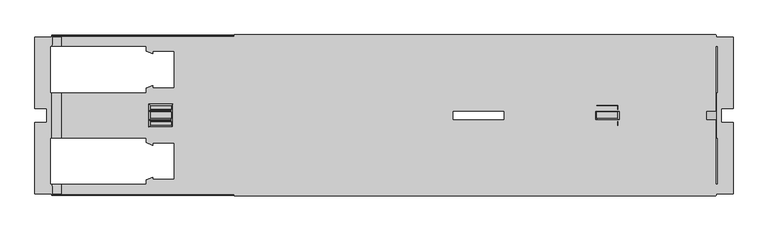
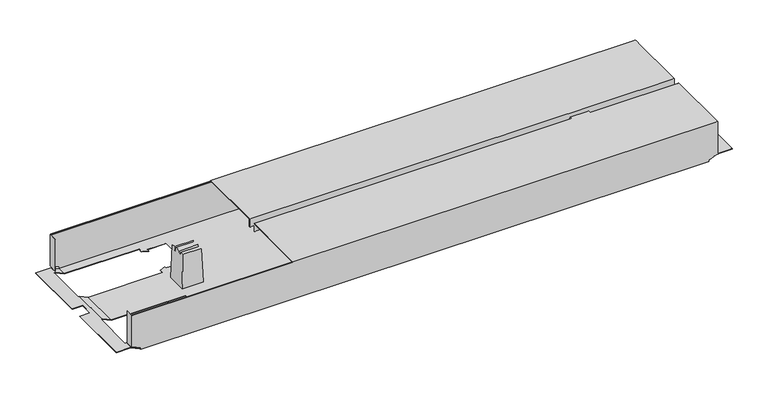
"""IFC4 building model written with IfcOpenShell, lengths in millimetres: furniture geometry."""

from ifc_helpers import new_model, si_unit, origin, place, context, project, spatial, triangles, source, transform, mapped, element, save


def furniture_05404db4(model_context):
    return source(origin(), model_context, "Body", "Tessellation", [
        triangles([(402.0151199, 8921.9879526, 526.9999909), (402.0151199, 8921.9879526, 507.9999879), (1430.0150899, 8921.9879526, 526.9999909), (1430.0150899, 8921.9879526, 507.9999879), (402.0151199, 8760.8879022, 526.9999909), (1430.0150899, 8760.8879022, 526.9999909), (402.0151199, 8760.8879022, 507.9999879), (1430.0150899, 8760.8879022, 507.9999879), (402.0151199, 8759.8879632, 507.9999879), (1430.0150899, 8759.8879632, 507.9999879), (402.0151199, 8759.8879632, 528.0000026), (1430.0150899, 8759.8879632, 528.0000026), (402.0151199, 8922.9878915, 528.0000026), (1430.0150899, 8922.9878915, 528.0000026), (402.0151199, 8922.9878915, 507.9999879), (1430.0150899, 8922.9878915, 507.9999879), (402.0151199, 8740.088009, 526.9999909), (402.0151199, 8740.088009, 507.9999879), (1430.0150899, 8740.088009, 526.9999909), (1430.0150899, 8740.088009, 507.9999879), (402.0151199, 8578.9879587, 526.9999909), (1430.0150899, 8578.9879587, 526.9999909), (402.0151199, 8578.9879587, 507.9999879), (1430.0150899, 8578.9879587, 507.9999879), (402.0151199, 8577.9880197, 507.9999879), (1430.0150899, 8577.9880197, 507.9999879), (402.0151199, 8577.9880197, 528.0000026), (1430.0150899, 8577.9880197, 528.0000026), (402.0151199, 8741.087948, 528.0000026), (1430.0150899, 8741.087948, 528.0000026), (402.0151199, 8741.087948, 507.9999879), (1430.0150899, 8741.087948, 507.9999879), (34.5151316, 8578.9879587, 432.000012), (1409.5151785, 8578.9879587, 432.000012), (34.5151316, 8578.9879587, 435.9999859), (1409.5151785, 8578.9879587, 435.9999859), (14.5151351, 8578.9879587, 445.3260155), (1429.5151205, 8578.9879587, 445.3260155), (14.5151351, 8578.9879587, 526.0000156), (1429.5151205, 8578.9879587, 526.0000156), (1431.5151437, 8578.9879587, 445.3260155), (1431.5151437, 8578.9879587, 526.0000156), (12.51513, 8578.9879587, 526.0000156), (12.51513, 8578.9879587, 445.3260155), (979.1151414, 8789.6878885, 432.000012), (1169.4151537, 8691.6880563, 432.000012), (979.1151414, 8711.2880227, 432.000012), (1169.4151537, 8613.2881906, 432.000012), (918.9151096, 8700.4881006, 432.000012), (274.6151201, 8613.2881906, 432.000012), (868.9151092, 8700.4881006, 432.000012), (274.6151201, 8691.6880563, 432.000012), (274.6151201, 8809.2884363, 432.000012), (214.4151427, 8798.4879327, 432.000012), (228.215118, 8809.2884363, 432.000012), (214.4151427, 8808.7721887, 432.000012), (228.215118, 8814.4881189, 432.000012), (932.7151393, 8789.6878885, 432.000012), (918.9151096, 8800.488392, 432.000012), (1169.4151537, 8887.688302, 432.000012), (1169.4151537, 8809.2884363, 432.000012), (932.7151393, 8784.4882059, 432.000012), (918.9151096, 8790.1058862, 432.000012), (274.6151201, 8887.688302, 432.000012), (868.9151092, 8800.488392, 432.000012), (932.7151393, 8711.2880227, 432.000012), (918.9151096, 8710.870025, 432.000012), (932.7151393, 8716.4882867, 432.000012), (214.4151427, 8602.4882684, 432.000012), (1229.6151128, 8602.4882684, 432.000012), (1409.5151785, 8582.4883264, 432.000012), (1410.5151174, 8602.4882684, 432.000012), (1410.5151174, 8582.4883264, 432.000012), (34.5151316, 8582.4883264, 432.000012), (33.5151382, 8602.4882684, 432.000012), (33.5151382, 8582.4883264, 432.000012), (214.4151427, 8612.771943, 432.000012), (228.215118, 8613.2881906, 432.000012), (1215.8150831, 8613.2881906, 432.000012), (228.215118, 8618.4878732, 432.000012), (214.4151427, 8702.4879785, 432.000012), (228.215118, 8691.6880563, 432.000012), (214.4151427, 8692.2043039, 432.000012), (228.215118, 8686.4883737, 432.000012), (33.5151382, 8702.4879785, 432.000012), (33.5151382, 8798.4879327, 432.000012), (228.215118, 8887.688302, 432.000012), (214.4151427, 8898.4882242, 432.000012), (1229.6151128, 8898.4882242, 432.000012), (1215.8150831, 8887.688302, 432.000012), (1229.6151128, 8888.2039682, 432.000012), (1215.8150831, 8882.488038, 432.000012), (228.215118, 8882.488038, 432.000012), (214.4151427, 8888.2039682, 432.000012), (33.5151382, 8898.4882242, 432.000012), (34.5151316, 8918.4881662, 432.000012), (34.5151316, 8921.9879526, 432.000012), (1409.5151785, 8921.9879526, 432.000012), (33.5151382, 8918.4881662, 432.000012), (1409.5151785, 8918.4881662, 432.000012), (1410.5151174, 8898.4882242, 432.000012), (1410.5151174, 8918.4881662, 432.000012), (1215.8150831, 8809.2884363, 432.000012), (1229.6151128, 8798.4879327, 432.000012), (1229.6151128, 8702.4879785, 432.000012), (1215.8150831, 8691.6880563, 432.000012), (1229.6151128, 8692.2043039, 432.000012), (1215.8150831, 8686.4883737, 432.000012), (1215.8150831, 8814.4881189, 432.000012), (1229.6151128, 8808.7721887, 432.000012), (1410.5151174, 8798.4879327, 432.000012), (1410.5151174, 8702.4879785, 432.000012), (1215.8150831, 8618.4878732, 432.000012), (1229.6151128, 8612.771943, 432.000012), (979.1151414, 8711.2880227, 432.9999873), (1169.4151537, 8809.2884363, 432.9999873), (979.1151414, 8789.6878885, 432.9999873), (1169.4151537, 8887.688302, 432.9999873), (918.9151096, 8800.488392, 432.9999873), (274.6151201, 8887.688302, 432.9999873), (868.9151092, 8800.488392, 432.9999873), (274.6151201, 8809.2884363, 432.9999873), (274.6151201, 8691.6880563, 432.9999873), (214.4151427, 8702.4879785, 432.9999873), (228.215118, 8691.6880563, 432.9999873), (214.4151427, 8692.2043039, 432.9999873), (228.215118, 8686.4883737, 432.9999873), (932.7151393, 8711.2880227, 432.9999873), (918.9151096, 8700.4881006, 432.9999873), (1169.4151537, 8613.2881906, 432.9999873), (1169.4151537, 8691.6880563, 432.9999873), (932.7151393, 8716.4882867, 432.9999873), (918.9151096, 8710.870025, 432.9999873), (274.6151201, 8613.2881906, 432.9999873), (868.9151092, 8700.4881006, 432.9999873), (932.7151393, 8789.6878885, 432.9999873), (918.9151096, 8790.1058862, 432.9999873), (932.7151393, 8784.4882059, 432.9999873), (1410.2931833, 8898.4882242, 432.9999873), (1409.5151785, 8918.4881662, 432.9999873), (1229.6151128, 8898.4882242, 432.9999873), (1409.5151785, 8920.9880136, 432.9999873), (214.4151427, 8898.4882242, 432.9999873), (34.5151316, 8920.9880136, 432.9999873), (34.5151316, 8918.4881662, 432.9999873), (1410.2931833, 8918.4881662, 432.9999873), (33.7371359, 8918.4881662, 432.9999873), (33.7371359, 8898.4882242, 432.9999873), (214.4151427, 8888.2039682, 432.9999873), (228.215118, 8887.688302, 432.9999873), (1215.8150831, 8887.688302, 432.9999873), (228.215118, 8882.488038, 432.9999873), (214.4151427, 8798.4879327, 432.9999873), (228.215118, 8809.2884363, 432.9999873), (214.4151427, 8808.7721887, 432.9999873), (228.215118, 8814.4881189, 432.9999873), (33.7371359, 8798.4879327, 432.9999873), (33.7371359, 8702.4879785, 432.9999873), (228.215118, 8613.2881906, 432.9999873), (214.4151427, 8602.4882684, 432.9999873), (1229.6151128, 8602.4882684, 432.9999873), (1215.8150831, 8613.2881906, 432.9999873), (1229.6151128, 8612.771943, 432.9999873), (1215.8150831, 8618.4878732, 432.9999873), (228.215118, 8618.4878732, 432.9999873), (214.4151427, 8612.771943, 432.9999873), (33.7371359, 8602.4882684, 432.9999873), (34.5151316, 8582.4883264, 432.9999873), (34.5151316, 8579.9878976, 432.9999873), (1409.5151785, 8579.9878976, 432.9999873), (33.7371359, 8582.4883264, 432.9999873), (1409.5151785, 8582.4883264, 432.9999873), (1410.2931833, 8602.4882684, 432.9999873), (1410.2931833, 8582.4883264, 432.9999873), (1215.8150831, 8691.6880563, 432.9999873), (1229.6151128, 8702.4879785, 432.9999873), (1229.6151128, 8798.4879327, 432.9999873), (1215.8150831, 8809.2884363, 432.9999873), (1229.6151128, 8808.7721887, 432.9999873), (1215.8150831, 8814.4881189, 432.9999873), (1215.8150831, 8686.4883737, 432.9999873), (1229.6151128, 8692.2043039, 432.9999873), (1410.2931833, 8702.4879785, 432.9999873), (1410.2931833, 8798.4879327, 432.9999873), (1215.8150831, 8882.488038, 432.9999873), (1229.6151128, 8888.2039682, 432.9999873), (34.5151316, 8579.9878976, 435.9999859), (1409.5151785, 8579.9878976, 435.9999859), (14.5151351, 8579.9878976, 445.3260155), (1429.5151205, 8579.9878976, 445.3260155), (1429.5151205, 8579.9878976, 511.9999981), (1430.5152048, 8579.9878976, 445.3260155), (1430.5152048, 8579.9878976, 526.0000156), (1429.5151205, 8579.9878976, 526.0000156), (14.5151351, 8579.9878976, 511.9999981), (13.5151326, 8579.9878976, 445.3260155), (13.5151326, 8579.9878976, 526.0000156), (14.5151351, 8579.9878976, 526.0000156), (14.5151351, 8919.9880746, 526.0000156), (1429.5151205, 8919.9880746, 526.0000156), (14.5151351, 8920.28108, 526.7069856), (1429.5151205, 8920.28108, 526.7069856), (14.5151351, 8920.9880136, 526.9999909), (1429.5151205, 8920.9880136, 526.9999909), (14.5151351, 8921.6949472, 526.7069856), (1429.5151205, 8921.6949472, 526.7069856), (14.5151351, 8921.9879526, 526.0000156), (1429.5151205, 8921.9879526, 526.0000156), (14.5151351, 8919.9880746, 511.9999981), (1429.5151205, 8919.9880746, 511.9999981), (14.5151351, 8920.9880136, 511.9999981), (1429.5151205, 8920.9880136, 511.9999981), (14.5151351, 8580.988418, 511.9999981), (1429.5151205, 8580.988418, 511.9999981), (14.5151351, 8580.988418, 526.0000156), (1429.5151205, 8580.988418, 526.0000156), (14.5151351, 8579.280964, 526.7069856), (1429.5151205, 8579.280964, 526.7069856), (14.5151351, 8579.9878976, 526.9999909), (1429.5151205, 8579.9878976, 526.9999909), (14.5151351, 8580.6954126, 526.7069856), (1429.5151205, 8580.6954126, 526.7069856), (14.5151351, 8921.9879526, 445.3260155), (12.51513, 8921.9879526, 445.3260155), (12.51513, 8921.9879526, 526.0000156), (1429.5151205, 8921.9879526, 445.3260155), (1431.5151437, 8921.9879526, 526.0000156), (1431.5151437, 8921.9879526, 445.3260155), (34.5151316, 8921.9879526, 435.9999859), (1409.5151785, 8921.9879526, 435.9999859), (1429.5151205, 8920.9880136, 445.3260155), (14.5151351, 8920.9880136, 445.3260155), (1409.5151785, 8920.9880136, 435.9999859), (34.5151316, 8920.9880136, 435.9999859), (1430.5152048, 8920.9880136, 445.3260155), (1430.5152048, 8920.9880136, 526.0000156), (1429.5151205, 8920.9880136, 526.0000156), (13.5151326, 8920.9880136, 445.3260155), (13.5151326, 8920.9880136, 526.0000156), (14.5151351, 8920.9880136, 526.0000156), (1431.9601747, 8702.4879785, 441.999983), (1431.9601747, 8798.4879327, 441.999983), (1434.6150999, 8702.4879785, 441.999983), (1434.6150999, 8798.4879327, 441.999983), (1442.515199, 8765.4882028, 441.999983), (1434.6150999, 8898.4882242, 441.999983), (1467.5151266, 8918.4881662, 441.999983), (1431.9601747, 8918.4881662, 441.999983), (1431.9601747, 8898.4882242, 441.999983), (1467.5151266, 8765.4882028, 441.999983), (1442.515199, 8735.4882898, 441.999983), (1434.6150999, 8602.4882684, 441.999983), (1467.5151266, 8582.4883264, 441.999983), (1431.9601747, 8582.4883264, 441.999983), (1467.5151266, 8735.4882898, 441.999983), (1431.9601747, 8602.4882684, 441.999983), (1434.6150999, 8702.4879785, 442.9999947), (1434.6150999, 8602.4882684, 442.9999947), (1431.7380952, 8798.4879327, 442.9999947), (1431.7380952, 8702.4879785, 442.9999947), (1434.6150999, 8898.4882242, 442.9999947), (1434.6150999, 8798.4879327, 442.9999947), (1442.515199, 8765.4882028, 442.9999947), (1467.5151266, 8918.4881662, 442.9999947), (1431.7380952, 8918.4881662, 442.9999947), (1442.515199, 8735.4882898, 442.9999947), (1467.5151266, 8582.4883264, 442.9999947), (1431.7380952, 8582.4883264, 442.9999947), (1431.7380952, 8602.4882684, 442.9999947), (1467.5151266, 8735.4882898, 442.9999947), (1467.5151266, 8765.4882028, 442.9999947), (1431.7380952, 8898.4882242, 442.9999947), (1430.5152048, 8901.9880105, 526.0000156), (1430.5152048, 8901.9880105, 445.3260155), (1431.5151437, 8901.9880105, 445.3260155), (1431.5151437, 8901.9880105, 526.0000156), (1430.5152048, 8598.9879007, 445.3260155), (1430.5152048, 8598.9879007, 526.0000156), (1431.5151437, 8598.9879007, 445.3260155), (1431.5151437, 8598.9879007, 526.0000156), (12.51513, 8598.9879007, 526.0000156), (12.51513, 8598.9879007, 445.3260155), (13.5151326, 8598.9879007, 526.0000156), (13.5151326, 8598.9879007, 445.3260155), (12.51513, 8901.9880105, 445.3260155), (12.51513, 8901.9880105, 526.0000156), (13.5151326, 8901.9880105, 445.3260155), (13.5151326, 8901.9880105, 526.0000156), (12.2921331, 8798.4879327, 442.9999947), (12.2921331, 8702.4879785, 442.9999947), (12.0701354, 8702.4879785, 441.999983), (12.0701354, 8798.4879327, 441.999983), (9.4151375, 8602.4882684, 441.999983), (1.5151383, 8735.4882898, 441.999983), (9.4151375, 8702.4879785, 441.999983), (1.5151383, 8765.4882028, 441.999983), (9.4151375, 8798.4879327, 441.999983), (9.4151375, 8898.4882242, 441.999983), (-23.4848665, 8918.4881662, 441.999983), (12.0701354, 8918.4881662, 441.999983), (12.0701354, 8602.4882684, 441.999983), (12.0701354, 8582.4883264, 441.999983), (-23.4848665, 8582.4883264, 441.999983), (-23.4848665, 8735.4882898, 441.999983), (-23.4848665, 8765.4882028, 441.999983), (12.0701354, 8898.4882242, 441.999983), (-23.4848665, 8735.4882898, 442.9999947), (-23.4848665, 8582.4883264, 442.9999947), (1.5151383, 8735.4882898, 442.9999947), (9.4151375, 8602.4882684, 442.9999947), (9.4151375, 8702.4879785, 442.9999947), (12.2921331, 8582.4883264, 442.9999947), (12.2921331, 8602.4882684, 442.9999947), (9.4151375, 8798.4879327, 442.9999947), (1.5151383, 8765.4882028, 442.9999947), (9.4151375, 8898.4882242, 442.9999947), (-23.4848665, 8918.4881662, 442.9999947), (12.2921331, 8918.4881662, 442.9999947), (12.2921331, 8898.4882242, 442.9999947), (-23.4848665, 8765.4882028, 442.9999947), (1221.547146, 8743.587214, 519.5000127), (1221.8961073, 8741.5879175, 509.5000053), (1221.547146, 8757.3892785, 519.5000127), (1221.8961073, 8759.3879938, 509.5000053), (1224.5151334, 8725.9882883, 433.4999931), (1224.5151334, 8774.9882043, 433.4999931), (1221.8961073, 8739.5880395, 509.5000053), (1221.5821729, 8728.9212488, 518.500001), (1221.5821729, 8737.7893121, 518.500001), (1221.8961073, 8761.3878717, 509.5000053), (1221.5821729, 8772.0552438, 518.500001), (1221.5821729, 8763.1871805, 518.500001), (1176.4831815, 8743.587214, 519.5000127), (1176.4831815, 8757.3892785, 519.5000127), (1176.1340749, 8741.5879175, 509.5000053), (1176.1340749, 8759.3879938, 509.5000053), (1173.5151941, 8725.9882883, 433.4999931), (1173.5151941, 8774.9882043, 433.4999931), (1176.1340749, 8761.3878717, 509.5000053), (1176.4481546, 8772.0552438, 518.500001), (1176.4481546, 8763.1871805, 518.500001), (1176.1340749, 8739.5880395, 509.5000053), (1176.4481546, 8728.9212488, 518.500001), (1176.4481546, 8737.7893121, 518.500001), (267.5471285, 8743.587214, 519.5000127), (267.8961261, 8741.5879175, 509.5000053), (267.5471285, 8757.3892785, 519.5000127), (267.8961261, 8759.3879938, 509.5000053), (270.515116, 8725.9882883, 433.4999931), (270.515116, 8774.9882043, 433.4999931), (267.8961261, 8739.5880395, 509.5000053), (267.5821191, 8728.9212488, 518.500001), (267.5821191, 8737.7893121, 518.500001), (267.8961261, 8761.3878717, 509.5000053), (267.5821191, 8772.0552438, 518.500001), (267.5821191, 8763.1871805, 518.500001), (222.4831277, 8743.587214, 519.5000127), (222.4831277, 8757.3892785, 519.5000127), (222.1341302, 8741.5879175, 509.5000053), (222.1341302, 8759.3879938, 509.5000053), (219.5151403, 8725.9882883, 433.4999931), (219.5151403, 8774.9882043, 433.4999931), (222.1341302, 8761.3878717, 509.5000053), (222.4481371, 8772.0552438, 518.500001), (222.4481371, 8763.1871805, 518.500001), (222.1341302, 8739.5880395, 509.5000053), (222.4481371, 8728.9212488, 518.500001), (222.4481371, 8737.7893121, 518.500001)], [[1, 2, 3], [3, 2, 4], [5, 1, 6], [6, 1, 3], [7, 5, 8], [8, 5, 6], [9, 7, 10], [10, 7, 8], [11, 9, 12], [12, 9, 10], [13, 11, 14], [14, 11, 12], [15, 13, 16], [16, 13, 14], [2, 15, 4], [4, 15, 16], [2, 1, 15], [15, 1, 13], [13, 1, 5], [13, 5, 11], [11, 5, 9], [9, 5, 7], [4, 16, 3], [14, 3, 16], [6, 3, 14], [12, 6, 14], [10, 6, 12], [10, 8, 6], [17, 18, 19], [19, 18, 20], [21, 17, 22], [22, 17, 19], [23, 21, 24], [24, 21, 22], [25, 23, 26], [26, 23, 24], [27, 25, 28], [28, 25, 26], [29, 27, 30], [30, 27, 28], [31, 29, 32], [32, 29, 30], [18, 31, 20], [20, 31, 32], [18, 17, 31], [31, 17, 29], [29, 17, 21], [29, 21, 27], [27, 21, 25], [25, 21, 23], [20, 32, 19], [30, 19, 32], [22, 19, 30], [28, 22, 30], [26, 22, 28], [26, 24, 22], [33, 34, 35], [35, 34, 36], [37, 35, 36], [37, 36, 38], [37, 38, 39], [39, 38, 40], [40, 38, 41], [40, 41, 42], [39, 43, 37], [37, 43, 44], [45, 46, 47], [47, 46, 48], [49, 47, 48], [50, 49, 48], [49, 50, 51], [51, 50, 52], [51, 52, 53], [53, 52, 54], [53, 54, 55], [55, 54, 56], [57, 55, 56], [45, 58, 59], [60, 45, 59], [45, 60, 61], [62, 63, 58], [58, 63, 59], [60, 59, 64], [64, 59, 65], [64, 65, 53], [53, 65, 51], [47, 49, 66], [66, 49, 67], [68, 66, 67], [33, 69, 34], [34, 69, 70], [34, 70, 71], [71, 70, 72], [71, 72, 73], [33, 74, 69], [69, 74, 75], [75, 74, 76], [69, 77, 78], [69, 78, 50], [69, 50, 70], [70, 50, 48], [70, 48, 79], [77, 80, 78], [54, 52, 81], [81, 52, 82], [81, 82, 83], [83, 82, 84], [85, 86, 81], [81, 86, 54], [64, 87, 88], [89, 64, 88], [64, 89, 60], [60, 89, 90], [90, 89, 91], [92, 90, 91], [93, 94, 87], [87, 94, 88], [95, 96, 88], [88, 96, 97], [98, 88, 97], [95, 99, 96], [88, 98, 89], [89, 98, 100], [89, 100, 101], [101, 100, 102], [61, 103, 104], [61, 104, 105], [61, 105, 46], [46, 105, 106], [106, 105, 107], [108, 106, 107], [109, 110, 103], [103, 110, 104], [111, 112, 104], [104, 112, 105], [113, 114, 79], [79, 114, 70], [45, 61, 46], [115, 116, 117], [117, 116, 118], [119, 117, 118], [120, 119, 118], [119, 120, 121], [121, 120, 122], [121, 122, 123], [123, 122, 124], [123, 124, 125], [125, 124, 126], [127, 125, 126], [115, 128, 129], [130, 115, 129], [115, 130, 131], [132, 133, 128], [128, 133, 129], [130, 129, 134], [134, 129, 135], [134, 135, 123], [123, 135, 121], [117, 119, 136], [136, 119, 137], [138, 136, 137], [139, 140, 141], [141, 140, 142], [143, 141, 142], [144, 143, 142], [143, 144, 145], [139, 146, 140], [147, 148, 145], [145, 148, 143], [143, 149, 150], [143, 150, 120], [143, 120, 141], [141, 120, 118], [141, 118, 151], [149, 152, 150], [124, 122, 153], [153, 122, 154], [153, 154, 155], [155, 154, 156], [157, 158, 153], [153, 158, 124], [134, 159, 160], [161, 134, 160], [134, 161, 130], [130, 161, 162], [162, 161, 163], [164, 162, 163], [165, 166, 159], [159, 166, 160], [167, 168, 160], [160, 168, 169], [170, 160, 169], [167, 171, 168], [160, 170, 161], [161, 170, 172], [161, 172, 173], [173, 172, 174], [131, 175, 176], [131, 176, 177], [131, 177, 116], [116, 177, 178], [178, 177, 179], [180, 178, 179], [181, 182, 175], [175, 182, 176], [183, 184, 176], [176, 184, 177], [185, 186, 151], [151, 186, 141], [115, 131, 116], [169, 187, 170], [170, 187, 188], [188, 187, 189], [190, 188, 189], [190, 189, 191], [190, 191, 192], [192, 191, 193], [193, 191, 194], [191, 189, 195], [195, 189, 196], [197, 195, 196], [197, 198, 195], [199, 200, 201], [201, 200, 202], [201, 202, 203], [203, 202, 204], [203, 204, 205], [205, 204, 206], [205, 206, 207], [207, 206, 208], [209, 210, 199], [199, 210, 200], [211, 212, 209], [209, 212, 210], [213, 214, 195], [195, 214, 191], [215, 216, 213], [213, 216, 214], [39, 40, 217], [217, 40, 218], [217, 218, 219], [219, 218, 220], [219, 220, 221], [221, 220, 222], [221, 222, 215], [215, 222, 216], [208, 223, 207], [207, 223, 224], [207, 224, 225], [223, 208, 226], [226, 208, 227], [226, 227, 228], [223, 226, 229], [229, 226, 230], [229, 230, 97], [97, 230, 98], [231, 232, 233], [233, 232, 234], [233, 234, 144], [232, 231, 212], [212, 231, 235], [236, 212, 235], [236, 237, 212], [212, 211, 232], [232, 211, 238], [238, 211, 239], [239, 211, 240], [144, 142, 233], [45, 47, 117], [117, 47, 115], [47, 66, 115], [115, 66, 128], [133, 132, 67], [67, 132, 68], [67, 49, 133], [133, 49, 129], [49, 51, 129], [129, 51, 135], [58, 45, 136], [136, 45, 117], [137, 119, 63], [63, 119, 59], [63, 62, 137], [137, 62, 138], [65, 59, 121], [121, 59, 119], [62, 58, 138], [138, 58, 136], [51, 65, 135], [135, 65, 121], [132, 128, 68], [68, 128, 66], [46, 106, 131], [131, 106, 175], [106, 108, 175], [175, 108, 181], [48, 46, 130], [130, 46, 131], [108, 107, 181], [181, 107, 182], [107, 105, 182], [182, 105, 176], [70, 114, 161], [161, 114, 163], [114, 113, 163], [163, 113, 164], [113, 79, 164], [164, 79, 162], [79, 48, 162], [162, 48, 130], [109, 103, 180], [180, 103, 178], [103, 61, 178], [178, 61, 116], [104, 110, 177], [177, 110, 179], [110, 109, 179], [179, 109, 180], [61, 60, 116], [116, 60, 118], [60, 90, 118], [118, 90, 151], [91, 89, 186], [186, 89, 141], [186, 185, 91], [91, 185, 92], [185, 151, 92], [92, 151, 90], [241, 242, 243], [243, 242, 244], [243, 244, 245], [245, 244, 246], [245, 246, 247], [247, 246, 248], [248, 246, 249], [247, 250, 245], [245, 251, 243], [252, 243, 251], [253, 252, 251], [252, 253, 254], [251, 255, 253], [254, 256, 252], [243, 252, 257], [257, 252, 258], [111, 242, 112], [112, 242, 241], [259, 184, 260], [260, 184, 183], [246, 244, 261], [261, 244, 262], [260, 257, 259], [259, 257, 262], [262, 257, 263], [261, 262, 263], [264, 261, 263], [261, 264, 265], [263, 257, 266], [266, 257, 258], [266, 258, 267], [267, 258, 268], [268, 258, 269], [267, 270, 266], [263, 271, 264], [265, 272, 261], [273, 236, 274], [274, 236, 235], [275, 228, 276], [276, 228, 227], [102, 248, 101], [101, 248, 249], [272, 265, 146], [272, 146, 139], [264, 271, 247], [247, 271, 250], [271, 263, 250], [250, 263, 245], [270, 267, 255], [255, 267, 253], [255, 251, 270], [270, 251, 266], [263, 266, 245], [245, 266, 251], [72, 256, 73], [73, 256, 254], [173, 174, 268], [173, 268, 269], [277, 192, 278], [278, 192, 193], [277, 278, 279], [279, 278, 280], [41, 279, 42], [42, 279, 280], [277, 279, 192], [41, 192, 279], [38, 192, 41], [38, 190, 192], [275, 276, 274], [274, 276, 273], [81, 83, 124], [124, 83, 126], [83, 84, 126], [126, 84, 127], [82, 52, 125], [125, 52, 123], [52, 50, 123], [123, 50, 134], [50, 78, 134], [134, 78, 159], [166, 165, 77], [77, 165, 80], [77, 69, 166], [166, 69, 160], [78, 80, 159], [159, 80, 165], [84, 82, 127], [127, 82, 125], [53, 55, 122], [122, 55, 154], [55, 57, 154], [154, 57, 156], [57, 56, 156], [156, 56, 155], [152, 149, 93], [93, 149, 94], [93, 87, 152], [152, 87, 150], [87, 64, 150], [150, 64, 120], [88, 94, 143], [143, 94, 149], [56, 54, 155], [155, 54, 153], [64, 53, 120], [120, 53, 122], [43, 281, 44], [44, 281, 282], [283, 197, 284], [284, 197, 196], [224, 285, 225], [225, 285, 286], [287, 285, 238], [224, 238, 285], [223, 238, 224], [223, 232, 238], [239, 288, 238], [238, 288, 287], [157, 289, 158], [158, 289, 290], [85, 291, 86], [86, 291, 292], [293, 294, 295], [295, 294, 296], [295, 296, 297], [298, 297, 296], [299, 298, 296], [298, 299, 300], [301, 302, 293], [293, 302, 303], [294, 293, 303], [294, 303, 304], [296, 305, 299], [300, 306, 298], [297, 292, 295], [295, 292, 291], [307, 308, 309], [309, 308, 310], [309, 310, 311], [308, 312, 310], [310, 312, 313], [290, 289, 311], [311, 289, 314], [311, 314, 315], [315, 314, 316], [315, 316, 317], [317, 316, 318], [318, 316, 319], [317, 320, 315], [315, 309, 311], [297, 298, 314], [314, 298, 316], [293, 295, 310], [310, 295, 311], [283, 284, 281], [281, 284, 282], [312, 171, 313], [313, 171, 167], [143, 148, 88], [88, 148, 95], [95, 148, 306], [319, 306, 148], [306, 319, 316], [316, 298, 306], [145, 96, 147], [147, 96, 99], [300, 147, 99], [299, 317, 300], [318, 300, 317], [147, 300, 318], [140, 100, 142], [98, 142, 100], [230, 142, 98], [230, 233, 142], [248, 102, 146], [146, 102, 100], [146, 100, 140], [146, 265, 248], [264, 248, 265], [248, 264, 247], [177, 184, 104], [104, 184, 111], [111, 184, 242], [259, 242, 184], [242, 259, 262], [262, 244, 242], [257, 260, 241], [183, 241, 260], [241, 183, 112], [112, 183, 105], [105, 183, 176], [241, 243, 257], [161, 173, 70], [70, 173, 72], [72, 173, 256], [269, 256, 173], [256, 269, 258], [258, 252, 256], [267, 268, 254], [174, 254, 268], [254, 174, 73], [73, 174, 71], [71, 174, 172], [254, 253, 267], [168, 74, 169], [33, 169, 74], [35, 169, 33], [35, 187, 169], [95, 306, 99], [99, 306, 300], [76, 302, 75], [75, 302, 301], [147, 318, 148], [148, 318, 319], [297, 314, 292], [292, 314, 289], [157, 292, 289], [153, 54, 157], [86, 157, 54], [292, 157, 86], [293, 310, 301], [301, 310, 313], [167, 301, 313], [160, 69, 167], [75, 167, 69], [301, 167, 75], [312, 302, 171], [76, 171, 302], [171, 76, 74], [312, 308, 302], [302, 308, 303], [74, 168, 171], [304, 303, 307], [307, 303, 308], [307, 309, 304], [304, 309, 294], [309, 315, 294], [294, 315, 296], [315, 320, 296], [296, 320, 305], [320, 317, 305], [305, 317, 299], [124, 158, 81], [81, 158, 85], [85, 158, 291], [290, 291, 158], [291, 290, 311], [311, 295, 291], [35, 37, 187], [187, 37, 189], [189, 37, 196], [44, 196, 37], [282, 196, 44], [282, 284, 196], [283, 281, 197], [43, 197, 281], [39, 197, 43], [39, 198, 197], [39, 217, 198], [198, 217, 219], [198, 219, 221], [221, 215, 198], [195, 198, 213], [213, 198, 215], [214, 216, 191], [191, 216, 194], [216, 222, 194], [194, 222, 220], [194, 220, 218], [218, 40, 194], [194, 40, 193], [42, 193, 40], [280, 193, 42], [280, 278, 193], [38, 36, 190], [190, 36, 188], [188, 36, 170], [34, 170, 36], [71, 170, 34], [71, 172, 170], [246, 261, 249], [249, 261, 272], [139, 249, 272], [141, 89, 139], [101, 139, 89], [249, 139, 101], [230, 226, 233], [233, 226, 231], [231, 226, 235], [228, 235, 226], [275, 235, 228], [275, 274, 235], [273, 276, 236], [227, 236, 276], [208, 236, 227], [208, 237, 236], [208, 206, 237], [237, 206, 204], [237, 204, 202], [202, 200, 237], [212, 237, 210], [210, 237, 200], [209, 199, 211], [211, 199, 240], [199, 201, 240], [240, 201, 203], [240, 203, 205], [205, 207, 240], [240, 207, 239], [225, 239, 207], [286, 239, 225], [286, 288, 239], [286, 285, 288], [288, 285, 287], [223, 229, 232], [232, 229, 234], [234, 229, 144], [97, 144, 229], [96, 144, 97], [96, 145, 144], [323, 321, 322], [323, 322, 324], [324, 322, 325], [324, 325, 326], [322, 327, 325], [325, 327, 328], [328, 327, 329], [324, 326, 330], [331, 330, 326], [330, 331, 332], [335, 333, 334], [335, 334, 336], [337, 335, 336], [337, 336, 338], [338, 336, 339], [338, 339, 340], [340, 339, 341], [335, 337, 342], [343, 342, 337], [342, 343, 344], [321, 323, 333], [333, 323, 334], [322, 321, 333], [322, 333, 335], [334, 323, 324], [334, 324, 336], [324, 330, 336], [336, 330, 339], [330, 332, 341], [330, 341, 339], [332, 331, 341], [341, 331, 340], [340, 331, 326], [340, 326, 338], [327, 322, 342], [342, 322, 335], [344, 329, 327], [344, 327, 342], [328, 329, 343], [343, 329, 344], [325, 328, 343], [325, 343, 337], [326, 325, 338], [338, 325, 337], [347, 345, 346], [347, 346, 348], [348, 346, 349], [348, 349, 350], [346, 351, 349], [349, 351, 352], [352, 351, 353], [348, 350, 354], [355, 354, 350], [354, 355, 356], [359, 357, 358], [359, 358, 360], [361, 359, 360], [361, 360, 362], [362, 360, 363], [362, 363, 364], [364, 363, 365], [359, 361, 366], [367, 366, 361], [366, 367, 368], [345, 347, 357], [357, 347, 358], [346, 345, 357], [346, 357, 359], [358, 347, 348], [358, 348, 360], [348, 354, 360], [360, 354, 363], [354, 356, 365], [354, 365, 363], [356, 355, 365], [365, 355, 364], [364, 355, 350], [364, 350, 362], [351, 346, 366], [366, 346, 359], [368, 353, 351], [368, 351, 366], [352, 353, 367], [367, 353, 368], [349, 352, 367], [349, 367, 361], [350, 349, 362], [362, 349, 361]]),
    ])


if __name__ == "__main__":
    model = new_model("IFC4")
    model_context = context("Model", 3, world=origin())
    ifc_project = project(units=[si_unit("LENGTHUNIT", "METRE", prefix="MILLI")], contexts=[model_context])
    site = spatial("IfcSite", under=ifc_project)
    building = spatial("IfcBuilding", under=site)
    placement = place(None, origin())
    furniture_shape = furniture_05404db4(model_context)
    element("IfcFurniture", 1, at=placement, inside=building, context=model_context, shape_type="MappedRepresentation", body=[
        mapped(furniture_shape, transform((0.0, 0.0, 0.0), x_axis=(1.0, 0.0, 0.0), y_axis=(0.0, 1.0, 0.0), z_axis=(0.0, 0.0, 1.0))),
    ])
    save(model, "model.ifc")
